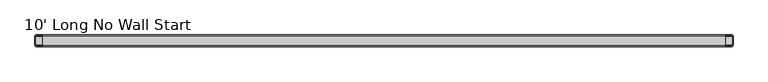
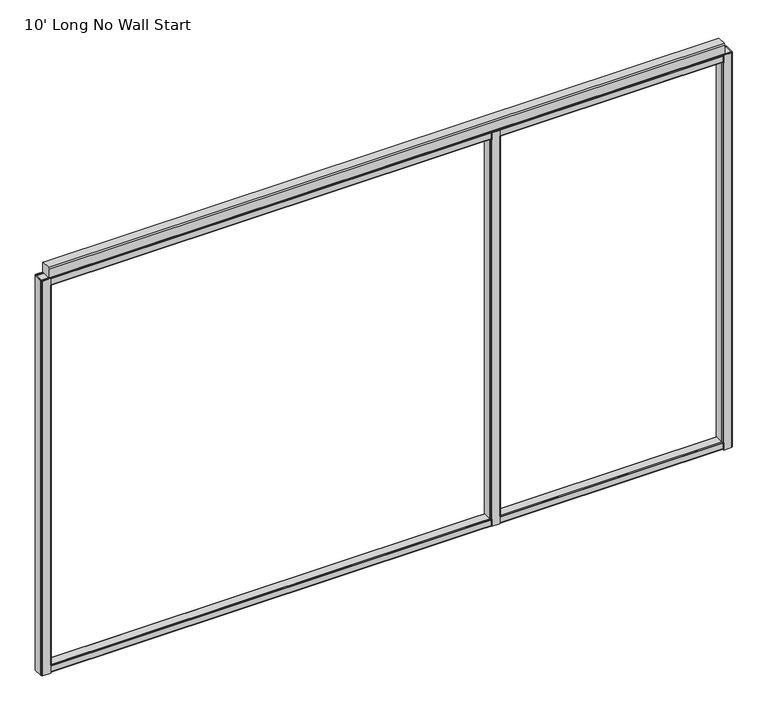
"""IFC4 building model written with IfcOpenShell, lengths in millimetres: furniture geometry, 10' Long No Wall Start."""

from ifc_helpers import new_model, si_unit, frame, origin, place, context, project, spatial, polyline, outline, extrude, faceted_brep, source, transform, mapped, element, save


def furniture_10_long_no_wall_start_974aa3ed(model_context):
    return source(origin(), model_context, "Body", "SolidModel", [
        faceted_brep([(2021.1542, 25.4, 1937.6408515), (1985.6958, 25.4, 1937.6408515), (1985.6958, 23.1181008, 1937.6408515), (1986.1151471, 23.2918, 1937.6408515), (2020.7348529, 23.2918, 1937.6408515), (2021.1542, 23.1181008, 1937.6408515), (1985.6958, -25.4, 1937.6408515), (2021.1542, -25.4, 1937.6408515), (2021.1542, -23.1181008, 1937.6408515), (2020.7348529, -23.2918, 1937.6408515), (1986.1151471, -23.2918, 1937.6408515), (1985.6958, -23.1181008, 1937.6408515), (2021.1542, -25.4, 104.7768515), (1985.6958, -25.4, 104.7768515), (1985.6958, -23.1181008, 104.7768515), (1986.1151471, -23.2918, 104.7768515), (2020.7348529, -23.2918, 104.7768515), (2021.1542, -23.1181008, 104.7768515), (1985.6958, 25.4, 104.7768515), (2021.1542, 25.4, 104.7768515), (2021.1542, 23.1181008, 104.7768515), (2020.7348529, 23.2918, 104.7768515), (1986.1151471, 23.2918, 104.7768515), (1985.6958, 23.1181008, 104.7768515), (2025.65, 20.9042, 1905.6368515), (2025.65, -20.9042, 1905.6368515), (2025.65, -20.9042, 136.7808515), (2025.65, 20.9042, 136.7808515), (1985.6958, -25.4, 1905.6368515), (1985.6958, -25.4, 136.7808515), (2021.1542, -25.4, 136.7808515), (2021.1542, -25.4, 1905.6368515), (1981.2, -20.9042, 1905.6368515), (1981.2, 20.9042, 1905.6368515), (1981.2, 20.9042, 136.7808515), (1981.2, -20.9042, 136.7808515), (2021.1542, 25.4, 1905.6368515), (2021.1542, 25.4, 136.7808515), (1985.6958, 25.4, 136.7808515), (1985.6958, 25.4, 1905.6368515), (2024.3332107, 24.0832107, 1905.6368515), (2024.3332107, 24.0832107, 136.7808515), (2024.3332107, -24.0832107, 1905.6368515), (2024.3332107, -24.0832107, 136.7808515), (1982.5167893, -24.0832107, 1905.6368515), (1982.5167893, -24.0832107, 136.7808515), (1982.5167893, 24.0832107, 1905.6368515), (1982.5167893, 24.0832107, 136.7808515), (2023.5418, -20.4848529, 1905.6368515), (2023.5418, 20.4848529, 1905.6368515), (2023.5418, 20.4848529, 136.7808515), (2023.5418, -20.4848529, 136.7808515), (2022.7196642, 22.4696642, 1905.6368515), (2022.7196642, 22.4696642, 136.7808515), (2021.1542, 23.1181008, 136.7808515), (2021.1542, 23.1181008, 1905.6368515), (1985.6958, 23.1181008, 1905.6368515), (1984.1303358, 22.4696642, 1905.6368515), (1984.1303358, 22.4696642, 136.7808515), (1985.6958, 23.1181008, 136.7808515), (1983.3082, 20.4848529, 1905.6368515), (1983.3082, 20.4848529, 136.7808515), (1983.3082, -20.4848529, 1905.6368515), (1983.3082, -20.4848529, 136.7808515), (1984.1303358, -22.4696642, 1905.6368515), (1984.1303358, -22.4696642, 136.7808515), (1985.6958, -23.1181008, 136.7808515), (1985.6958, -23.1181008, 1905.6368515), (2021.1542, -23.1181008, 1905.6368515), (2022.7196642, -22.4696642, 1905.6368515), (2022.7196642, -22.4696642, 136.7808515), (2021.1542, -23.1181008, 136.7808515)], [[[0, 1, 2, 3, 4, 5]], [[6, 7, 8, 9, 10, 11]], [[12, 13, 14, 15, 16, 17]], [[18, 19, 20, 21, 22, 23]], [[24, 25, 26, 27]], [[7, 6, 28, 29, 13, 12, 30, 31]], [[32, 33, 34, 35]], [[1, 0, 36, 37, 19, 18, 38, 39]], [[36, 40, 41, 37]], [[40, 24, 27, 41]], [[25, 42, 43, 26]], [[42, 31, 30, 43]], [[28, 44, 45, 29]], [[44, 32, 35, 45]], [[33, 46, 47, 34]], [[46, 39, 38, 47]], [[48, 49, 50, 51]], [[49, 52, 53, 50]], [[4, 21, 20, 54, 53, 52, 55, 5]], [[4, 3, 22, 21]], [[22, 3, 2, 56, 57, 58, 59, 23]], [[57, 60, 61, 58]], [[60, 62, 63, 61]], [[62, 64, 65, 63]], [[10, 15, 14, 66, 65, 64, 67, 11]], [[10, 9, 16, 15]], [[16, 9, 8, 68, 69, 70, 71, 17]], [[69, 48, 51, 70]], [[36, 55, 52, 49, 48, 69, 68, 31, 42, 25, 24, 40]], [[55, 36, 0, 5]], [[31, 68, 8, 7]], [[54, 37, 41, 27, 26, 43, 30, 71, 70, 51, 50, 53]], [[37, 54, 20, 19]], [[71, 30, 12, 17]], [[56, 39, 46, 33, 32, 44, 28, 67, 64, 62, 60, 57]], [[39, 56, 2, 1]], [[67, 28, 6, 11]], [[38, 59, 58, 61, 63, 65, 66, 29, 45, 35, 34, 47]], [[59, 38, 18, 23]], [[29, 66, 14, 13]]]),
        faceted_brep([(39.9542, 25.4, 1940.56), (4.4958, 25.4, 1940.56), (1.3167893, 24.0832107, 1940.56), (0.0, 20.9042, 1940.56), (0.0, -20.9042, 1940.56), (1.3167893, -24.0832107, 1940.56), (4.4958, -25.4, 1940.56), (39.9542, -25.4, 1940.56), (39.9542, -23.1181008, 1940.56), (39.5348529, -23.2918, 1940.56), (4.9151471, -23.2918, 1940.56), (2.9303358, -22.4696642, 1940.56), (2.1082, -20.4848529, 1940.56), (2.1082, 20.4848529, 1940.56), (2.9303358, 22.4696642, 1940.56), (4.9151471, 23.2918, 1940.56), (39.5348529, 23.2918, 1940.56), (39.9542, 23.1181008, 1940.56), (39.9542, -25.4, 101.6), (4.4958, -25.4, 101.6), (1.3167893, -24.0832107, 101.6), (0.0, -20.9042, 101.6), (0.0, 20.9042, 101.6), (1.3167893, 24.0832107, 101.6), (4.4958, 25.4, 101.6), (39.9542, 25.4, 101.6), (39.9542, 23.1181008, 101.6), (39.5348529, 23.2918, 101.6), (4.9151471, 23.2918, 101.6), (2.9303358, 22.4696642, 101.6), (2.1082, 20.4848529, 101.6), (2.1082, -20.4848529, 101.6), (2.9303358, -22.4696642, 101.6), (4.9151471, -23.2918, 101.6), (39.5348529, -23.2918, 101.6), (39.9542, -23.1181008, 101.6), (44.45, 20.9042, 1905.635), (44.45, -20.9042, 1905.635), (44.45, -20.9042, 136.525), (44.45, 20.9042, 136.525), (39.9542, -25.4, 136.525), (39.9542, -25.4, 1905.635), (39.9542, 25.4, 1905.635), (39.9542, 25.4, 136.525), (43.1332107, 24.0832107, 1905.635), (43.1332107, 24.0832107, 136.525), (43.1332107, -24.0832107, 1905.635), (43.1332107, -24.0832107, 136.525), (42.3418, -20.4848529, 1905.635), (42.3418, 20.4848529, 1905.635), (42.3418, 20.4848529, 136.525), (42.3418, -20.4848529, 136.525), (41.5196642, 22.4696642, 1905.635), (41.5196642, 22.4696642, 136.525), (39.9542, 23.1181008, 136.525), (39.9542, 23.1181008, 1905.635), (39.9542, -23.1181008, 1905.635), (41.5196642, -22.4696642, 1905.635), (41.5196642, -22.4696642, 136.525), (39.9542, -23.1181008, 136.525)], [[[0, 1, 2, 3, 4, 5, 6, 7, 8, 9, 10, 11, 12, 13, 14, 15, 16, 17]], [[18, 19, 20, 21, 22, 23, 24, 25, 26, 27, 28, 29, 30, 31, 32, 33, 34, 35]], [[36, 37, 38, 39]], [[7, 6, 19, 18, 40, 41]], [[4, 3, 22, 21]], [[1, 0, 42, 43, 25, 24]], [[42, 44, 45, 43]], [[44, 36, 39, 45]], [[37, 46, 47, 38]], [[46, 41, 40, 47]], [[6, 5, 20, 19]], [[5, 4, 21, 20]], [[3, 2, 23, 22]], [[2, 1, 24, 23]], [[48, 49, 50, 51]], [[49, 52, 53, 50]], [[16, 27, 26, 54, 53, 52, 55, 17]], [[16, 15, 28, 27]], [[15, 14, 29, 28]], [[14, 13, 30, 29]], [[13, 12, 31, 30]], [[12, 11, 32, 31]], [[11, 10, 33, 32]], [[10, 9, 34, 33]], [[34, 9, 8, 56, 57, 58, 59, 35]], [[57, 48, 51, 58]], [[42, 55, 52, 49, 48, 57, 56, 41, 46, 37, 36, 44]], [[55, 42, 0, 17]], [[41, 56, 8, 7]], [[54, 43, 45, 39, 38, 47, 40, 59, 58, 51, 50, 53]], [[43, 54, 26, 25]], [[59, 40, 18, 35]]]),
        faceted_brep([(3008.0458, -25.4, 1940.56), (3043.5042, -25.4, 1940.56), (3046.6832107, -24.0832107, 1940.56), (3048.0, -20.9042, 1940.56), (3048.0, 20.9042, 1940.56), (3046.6832107, 24.0832107, 1940.56), (3043.5042, 25.4, 1940.56), (3008.0458, 25.4, 1940.56), (3008.0458, 23.1181008, 1940.56), (3008.4651471, 23.2918, 1940.56), (3043.0848529, 23.2918, 1940.56), (3045.0696642, 22.4696642, 1940.56), (3045.8918, 20.4848529, 1940.56), (3045.8918, -20.4848529, 1940.56), (3045.0696642, -22.4696642, 1940.56), (3043.0848529, -23.2918, 1940.56), (3008.4651471, -23.2918, 1940.56), (3008.0458, -23.1181008, 1940.56), (3008.0458, 25.4, 101.6), (3043.5042, 25.4, 101.6), (3046.6832107, 24.0832107, 101.6), (3048.0, 20.9042, 101.6), (3048.0, -20.9042, 101.6), (3046.6832107, -24.0832107, 101.6), (3043.5042, -25.4, 101.6), (3008.0458, -25.4, 101.6), (3008.0458, -23.1181008, 101.6), (3008.4651471, -23.2918, 101.6), (3043.0848529, -23.2918, 101.6), (3045.0696642, -22.4696642, 101.6), (3045.8918, -20.4848529, 101.6), (3045.8918, 20.4848529, 101.6), (3045.0696642, 22.4696642, 101.6), (3043.0848529, 23.2918, 101.6), (3008.4651471, 23.2918, 101.6), (3008.0458, 23.1181008, 101.6), (3003.55, -20.9042, 1905.635), (3003.55, 20.9042, 1905.635), (3003.55, 20.9042, 136.525), (3003.55, -20.9042, 136.525), (3008.0458, -25.4, 1905.635), (3008.0458, -25.4, 136.525), (3008.0458, 25.4, 136.525), (3008.0458, 25.4, 1905.635), (3004.8667893, 24.0832107, 1905.635), (3004.8667893, 24.0832107, 136.525), (3004.8667893, -24.0832107, 1905.635), (3004.8667893, -24.0832107, 136.525), (3005.6582, 20.4848529, 1905.635), (3005.6582, -20.4848529, 1905.635), (3005.6582, -20.4848529, 136.525), (3005.6582, 20.4848529, 136.525), (3006.4803358, 22.4696642, 1905.635), (3006.4803358, 22.4696642, 136.525), (3008.0458, 23.1181008, 1905.635), (3008.0458, 23.1181008, 136.525), (3008.0458, -23.1181008, 136.525), (3006.4803358, -22.4696642, 136.525), (3006.4803358, -22.4696642, 1905.635), (3008.0458, -23.1181008, 1905.635)], [[[0, 1, 2, 3, 4, 5, 6, 7, 8, 9, 10, 11, 12, 13, 14, 15, 16, 17]], [[18, 19, 20, 21, 22, 23, 24, 25, 26, 27, 28, 29, 30, 31, 32, 33, 34, 35]], [[36, 37, 38, 39]], [[1, 0, 40, 41, 25, 24]], [[4, 3, 22, 21]], [[7, 6, 19, 18, 42, 43]], [[44, 43, 42, 45]], [[37, 44, 45, 38]], [[46, 36, 39, 47]], [[40, 46, 47, 41]], [[2, 1, 24, 23]], [[3, 2, 23, 22]], [[5, 4, 21, 20]], [[6, 5, 20, 19]], [[48, 49, 50, 51]], [[52, 48, 51, 53]], [[34, 9, 8, 54, 52, 53, 55, 35]], [[10, 9, 34, 33]], [[11, 10, 33, 32]], [[12, 11, 32, 31]], [[13, 12, 31, 30]], [[14, 13, 30, 29]], [[15, 14, 29, 28]], [[16, 15, 28, 27]], [[16, 27, 26, 56, 57, 58, 59, 17]], [[49, 58, 57, 50]], [[54, 43, 44, 37, 36, 46, 40, 59, 58, 49, 48, 52]], [[43, 54, 8, 7]], [[59, 40, 0, 17]], [[42, 55, 53, 51, 50, 57, 56, 41, 47, 39, 38, 45]], [[55, 42, 18, 35]], [[41, 56, 26, 25]]]),
        extrude(outline(polyline([(-18.7325958, 101.6), (-21.884598, 102.905602), (-23.1902, 106.0576042), (-23.1902, 132.0673958), (-21.884598, 135.219398), (-18.7325958, 136.525), (18.7325958, 136.525), (21.884598, 135.219398), (23.1902, 132.0673958), (23.1902, 106.0576042), (21.884598, 102.905602), (18.7325958, 101.6), (-18.7325958, 101.6)]), holes=[polyline([(-18.3132488, 103.7082), (18.3132488, 103.7082), (20.2710515, 104.5191485), (21.082, 106.4769512), (21.082, 131.6480488), (20.2710515, 133.6058515), (18.3132488, 134.4168), (-18.3132488, 134.4168), (-20.2710515, 133.6058515), (-21.082, 131.6480488), (-21.082, 106.4769512), (-20.2710515, 104.5191485), (-18.3132488, 103.7082)])]), frame((2.1082, 0.0, 0.0), z_axis=(1.0, 0.0, 0.0), x_axis=(0.0, 1.0, 0.0)), (0.0, 0.0, 1.0), 3043.7836),
        extrude(outline(polyline([(-18.7325958, 1940.56), (18.7325958, 1940.56), (21.884598, 1939.254398), (23.1902, 1936.1023958), (23.1902, 1910.0926042), (21.884598, 1906.940602), (18.7325958, 1905.635), (-18.7325958, 1905.635), (-21.884598, 1906.940602), (-23.1902, 1910.0926042), (-23.1902, 1936.1023958), (-21.884598, 1939.254398), (-18.7325958, 1940.56)]), holes=[polyline([(-18.3132488, 1938.4518), (-20.2710515, 1937.6408515), (-21.082, 1935.6830488), (-21.082, 1910.5119512), (-20.2710515, 1908.5541485), (-18.3132488, 1907.7432), (18.3132488, 1907.7432), (20.2710515, 1908.5541485), (21.082, 1910.5119512), (21.082, 1935.6830488), (20.2710515, 1937.6408515), (18.3132488, 1938.4518), (-18.3132488, 1938.4518)])]), frame((2.1082, 0.0, 0.0), z_axis=(1.0, 0.0, 0.0), x_axis=(0.0, 1.0, 0.0)), (0.0, 0.0, 1.0), 3043.7836),
        extrude(outline(polyline([(19.908865, 1991.36), (25.4, 1985.868865), (25.4, 1946.051135), (19.908865, 1940.56), (-19.908865, 1940.56), (-25.4, 1946.051135), (-25.4, 1985.868865), (-19.908865, 1991.36), (19.908865, 1991.36)])), frame((34.5948, 0.0, 0.0), z_axis=(1.0, 0.0, 0.0), x_axis=(0.0, 1.0, 0.0)), (0.0, 0.0, 1.0), 2978.8104),
    ])


if __name__ == "__main__":
    model = new_model("IFC4")
    model_context = context("Model", 3, world=origin())
    ifc_project = project(units=[si_unit("LENGTHUNIT", "METRE", prefix="MILLI")], contexts=[model_context])
    site = spatial("IfcSite", under=ifc_project)
    building = spatial("IfcBuilding", under=site)
    placement = place(None, origin())
    furniture_10_long_no_wall_start_shape = furniture_10_long_no_wall_start_974aa3ed(model_context)
    element("IfcFurniture", 1, ObjectType="10' Long No Wall Start", at=placement, inside=building, context=model_context, shape_type="MappedRepresentation", body=[
        mapped(furniture_10_long_no_wall_start_shape, transform((0.0, 0.0, 0.0), x_axis=(1.0, 0.0, 0.0), y_axis=(0.0, 1.0, 0.0), z_axis=(0.0, 0.0, 1.0))),
    ])
    save(model, "model.ifc")
